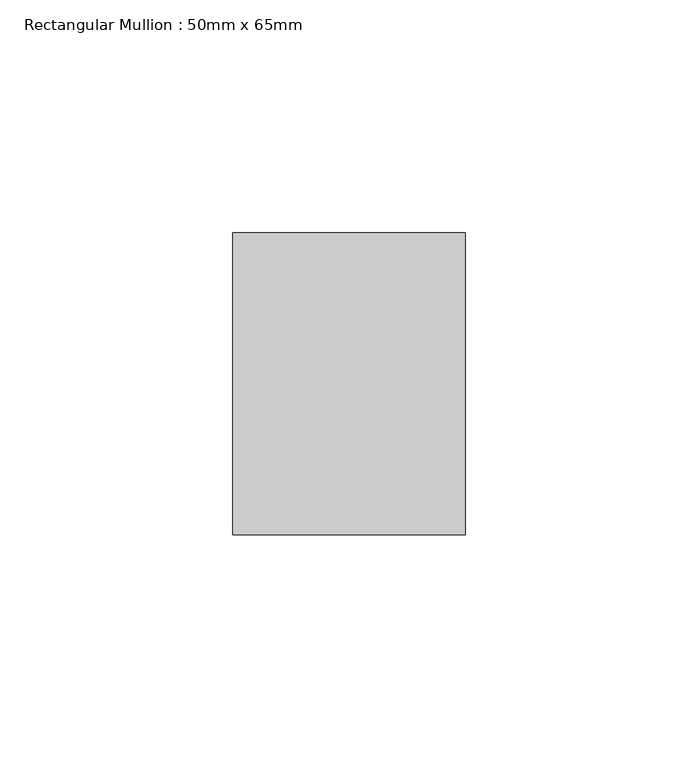
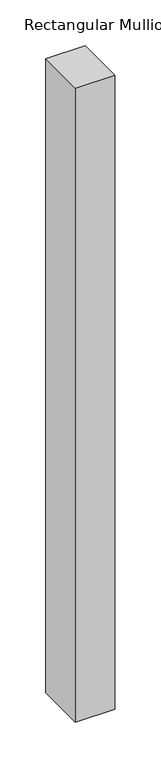
"""IFC4 building model written with IfcOpenShell, lengths in millimetres: member geometry, Rectangular Mullion : 50mm x 65mm."""

from ifc_helpers import new_model, si_unit, frame, origin, place, context, project, spatial, polyline, outline, extrude, source, transform, mapped, element, save


def rectangular_mullion_50mm_x_65mm_b04c48bf(model_context):
    return source(origin(), model_context, "Body", "SweptSolid", [
        extrude(outline(polyline([(25.0, 32.5), (25.0, -32.5), (-25.0, -32.5), (-25.0, 32.5), (25.0, 32.5)])), frame((0.0, 0.0, -846.7248527), z_axis=(0.0, 0.0, 1.0), x_axis=(1.0, 0.0, 0.0)), (0.0, 0.0, 1.0), 846.7248527),
    ])


if __name__ == "__main__":
    model = new_model("IFC4")
    model_context = context("Model", 3, world=origin())
    ifc_project = project(units=[si_unit("LENGTHUNIT", "METRE", prefix="MILLI")], contexts=[model_context])
    site = spatial("IfcSite", under=ifc_project)
    building = spatial("IfcBuilding", under=site)
    placement = place(None, origin())
    rectangular_mullion_50mm_x_65mm_shape = rectangular_mullion_50mm_x_65mm_b04c48bf(model_context)
    element("IfcMember", 1, ObjectType="Rectangular Mullion : 50mm x 65mm", at=placement, inside=building, context=model_context, shape_type="MappedRepresentation", body=[
        mapped(rectangular_mullion_50mm_x_65mm_shape, transform((0.0, 0.0, 0.0), x_axis=(1.0, 0.0, 0.0), y_axis=(0.0, 1.0, 0.0), z_axis=(0.0, 0.0, 1.0))),
    ])
    save(model, "model.ifc")
